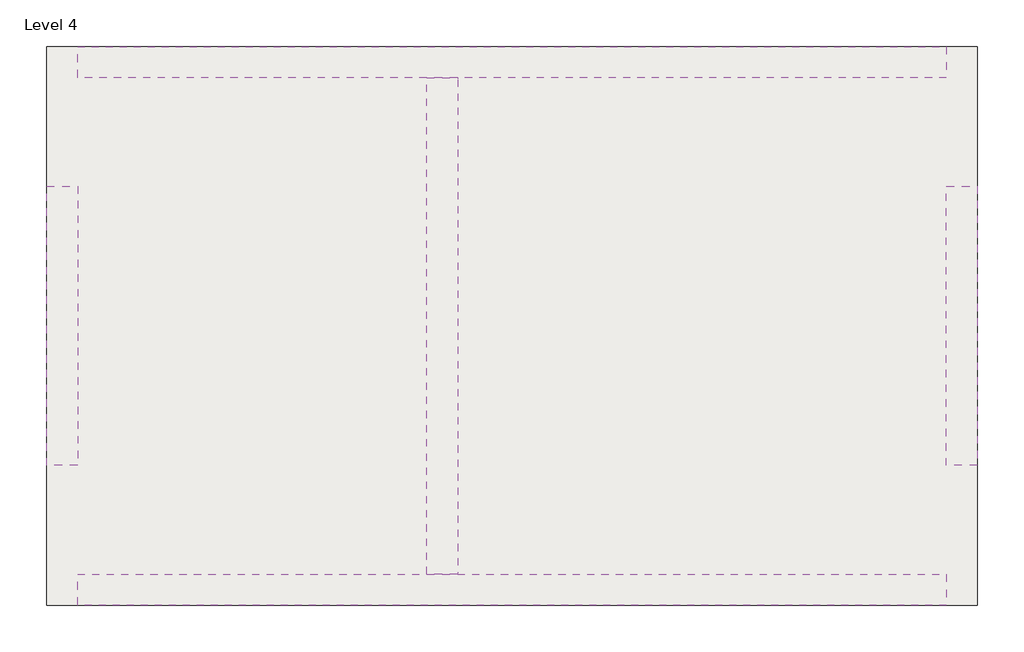
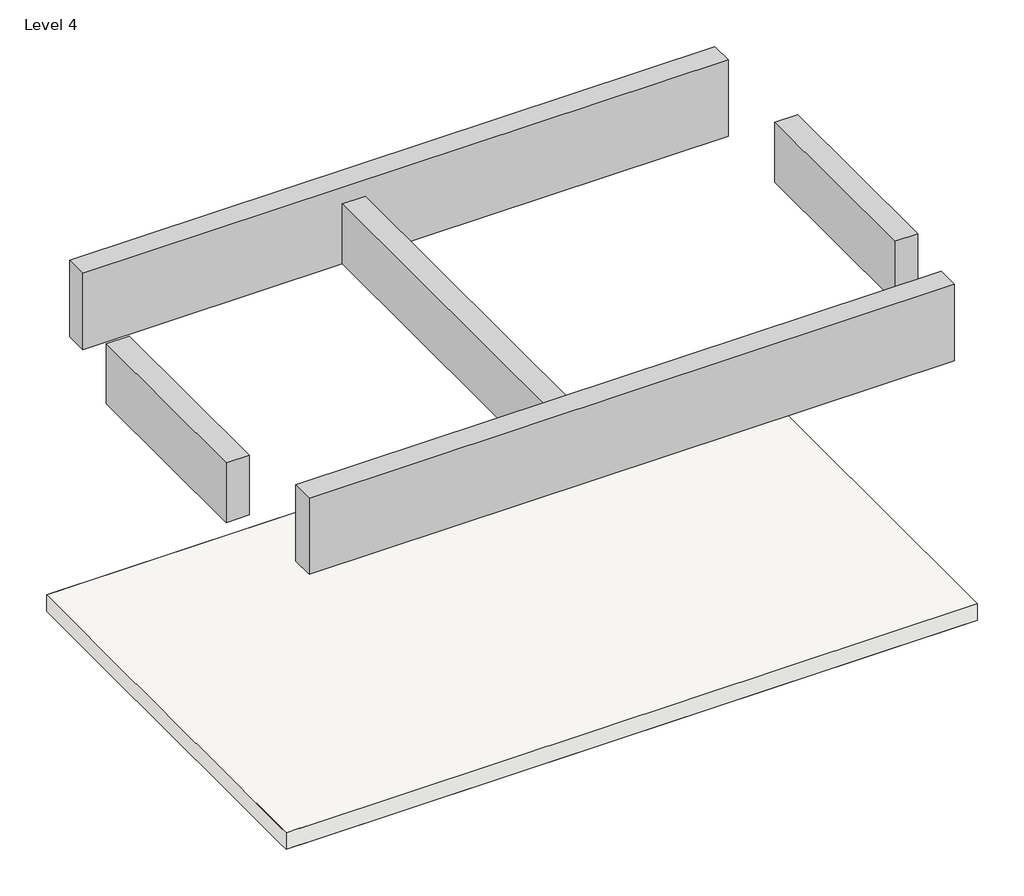
# One storey: 5 beams, 2 slabs.
"""IFC4 building model written with IfcOpenShell, lengths in millimetres."""

import ifcopenshell
import ifcopenshell.guid

model = None  # the IFC model being written
_history = None  # IfcOwnerHistory: only IFC2X3 demands one
_inside = {}  # id of a spatial element -> (the spatial element, [elements in it])
_under = {}  # id of a project, library or spatial element -> (it, [spatial elements below it])
_declared = {}  # id of a project -> (the project, [libraries it declares])
_typed = {}  # id of a type object -> (the type object, [elements of that type])
_made_of = {}  # id of a material, layer set ... -> (it, [elements and type objects made of it])


def new_model(schema):
    """Start an empty IFC model of exactly this schema.

    Asked for "IFC4X3", IfcOpenShell would pick the latest addendum, in which some entities
    have other attributes; the version numbers below select the first issue.
    IFC2X3 requires an IfcOwnerHistory on every rooted entity: one is made here for all.
    """
    global model, _history
    if schema == "IFC4X3":
        model = ifcopenshell.file(schema_version=(4, 3, 0, 0))
    else:
        model = ifcopenshell.file(schema=schema)
    _inside.clear()
    _under.clear()
    _declared.clear()
    _typed.clear()
    _made_of.clear()
    _history = None
    if model.schema == "IFC2X3":
        org = make("IfcOrganization", Name="unknown")
        user = make(
            "IfcPersonAndOrganization",
            ThePerson=make("IfcPerson", FamilyName="unknown"),
            TheOrganization=org,
        )
        app = make(
            "IfcApplication",
            ApplicationDeveloper=org,
            Version="unknown",
            ApplicationFullName="unknown",
            ApplicationIdentifier="unknown",
        )
        _history = make(
            "IfcOwnerHistory",
            OwningUser=user,
            OwningApplication=app,
            ChangeAction="ADDED",
            CreationDate=0,
        )
    return model


def make(cls, **values):
    """One entity of the class cls with the attributes given. An attribute that is None is left unset."""
    return model.create_entity(
        cls, **{name: value for name, value in values.items() if value is not None}
    )


def rooted(cls, **values):
    """An entity with a GlobalId (a new one), such as an element, a storey or a relation."""
    return make(cls, GlobalId=ifcopenshell.guid.new(), OwnerHistory=_history, **values)


def si_unit(unit_type, name, prefix=None):
    """IfcSIUnit, for example si_unit("LENGTHUNIT", "METRE", prefix="MILLI")."""
    return make("IfcSIUnit", UnitType=unit_type, Prefix=prefix, Name=name)


def assignment(units):
    """IfcUnitAssignment: the units of a project."""
    return None if units is None else make("IfcUnitAssignment", Units=units)


def point(xyz):
    """IfcCartesianPoint."""
    return None if xyz is None else make("IfcCartesianPoint", Coordinates=xyz)


def direction(xyz):
    """IfcDirection."""
    return None if xyz is None else make("IfcDirection", DirectionRatios=xyz)


def frame(location, z_axis=None, x_axis=None):
    """IfcAxis2Placement3D, a coordinate frame: its origin and axes. An axis left out is left unset."""
    return make(
        "IfcAxis2Placement3D",
        Location=point(location),
        Axis=direction(z_axis),
        RefDirection=direction(x_axis),
    )


def origin():
    """The frame at (0, 0, 0) with its axes left unset."""
    return frame((0.0, 0.0, 0.0))


def place(relative_to, where):
    """IfcLocalPlacement: puts the frame where relative to a parent placement (None: the world)."""
    return make(
        "IfcLocalPlacement", PlacementRelTo=relative_to, RelativePlacement=where
    )


def context(
    kind, dimensions, precision=None, world=None, true_north=None, identifier=None
):
    """IfcGeometricRepresentationContext, for example the 3D "Model" context."""
    return make(
        "IfcGeometricRepresentationContext",
        ContextIdentifier=identifier,
        ContextType=kind,
        CoordinateSpaceDimension=dimensions,
        Precision=precision,
        WorldCoordinateSystem=world,
        TrueNorth=true_north,
    )


def project(units=None, contexts=None):
    """IfcProject with its units and contexts."""
    return rooted(
        "IfcProject",
        Name="project",
        RepresentationContexts=contexts,
        UnitsInContext=assignment(units),
    )


def spatial(cls, under=None, at=None, **own):
    """A site, building, storey or space (cls), placed at a placement, below another one or the project."""
    s = rooted(cls, ObjectPlacement=at, **own)
    if under is not None:
        _under.setdefault(under.id(), (under, []))[1].append(s)
    return s


def polyline(points):
    """IfcPolyline through the points."""
    return make("IfcPolyline", Points=[point(p) for p in points])


def outline(outer, holes=None, kind="AREA"):
    """IfcArbitraryClosedProfileDef: a profile drawn as a closed curve; with holes, ...WithVoids."""
    if holes is None:
        return make("IfcArbitraryClosedProfileDef", ProfileType=kind, OuterCurve=outer)
    return make(
        "IfcArbitraryProfileDefWithVoids",
        ProfileType=kind,
        OuterCurve=outer,
        InnerCurves=holes,
    )


def extrude(swept, where, along, depth):
    """IfcExtrudedAreaSolid: the profile swept, set in the frame where, extruded along a direction by depth."""
    return make(
        "IfcExtrudedAreaSolid",
        SweptArea=swept,
        Position=where,
        ExtrudedDirection=direction(along),
        Depth=depth,
    )


def faces_of(points, faces, orient=None, outer=None):
    """IfcFace entities. A face is a list of loops; a loop is a list of indices into points, from 0.

    orient and outer hold one flag for each loop. By default every Orientation is true, the
    first loop of a face is its IfcFaceOuterBound and the others are IfcFaceBound.
    """
    made = []
    for i, loops in enumerate(faces):
        bounds = []
        for j, loop in enumerate(loops):
            is_outer = j == 0 if outer is None else outer[i][j]
            bounds.append(
                make(
                    "IfcFaceOuterBound" if is_outer else "IfcFaceBound",
                    Bound=make("IfcPolyLoop", Polygon=[points[k] for k in loop]),
                    Orientation=True if orient is None else orient[i][j],
                )
            )
        made.append(make("IfcFace", Bounds=bounds))
    return made


def faceted_brep(points, faces, orient=None, outer=None, voids=None):
    """IfcFacetedBrep: a solid bounded by flat faces; with voids (closed shells), ...WithVoids."""
    shared = [point(p) for p in points]
    hull = make("IfcClosedShell", CfsFaces=faces_of(shared, faces, orient, outer))
    if voids is None:
        return make("IfcFacetedBrep", Outer=hull)
    return make(
        "IfcFacetedBrepWithVoids",
        Outer=hull,
        Voids=[
            make(cls, CfsFaces=faces_of(shared, fs, o, b)) for cls, fs, o, b in voids
        ],
    )


def shape(context_of_items, identifier, shape_type, items):
    """IfcShapeRepresentation: the items that make up one representation, for example the "Body"."""
    return make(
        "IfcShapeRepresentation",
        ContextOfItems=context_of_items,
        RepresentationIdentifier=identifier,
        RepresentationType=shape_type,
        Items=items,
    )


def made_of(thing, what):
    """Note that an element or type object is made of a material, layer set ...; save() writes the relation."""
    if what is not None:
        _made_of.setdefault(what.id(), (what, []))[1].append(thing)
    return thing


def element(
    cls,
    number,
    at=None,
    inside=None,
    cuts=None,
    type_object=None,
    material=None,
    context=None,
    identifier="Body",
    shape_type=None,
    held_by="IfcProductDefinitionShape",
    body=None,
    shapes=None,
    **own,
):
    """One element of the class cls, such as IfcWall. Its Tag is "e" and its number.

    at: its placement. inside: the storey or other place that contains it. cuts: it is an
    opening in that element (IfcRelVoidsElement). A single representation is given by context,
    identifier, shape_type and body (its items); several are given by shapes. held_by: the class
    of the entity that holds the representations. save() writes the other relations.
    """
    e = rooted(cls, Tag="e%d" % number, ObjectPlacement=at, **own)
    if body is not None:
        shapes = [shape(context, identifier, shape_type, body)]
    if shapes is not None:
        e.Representation = make(held_by, Representations=shapes)
    if inside is not None:
        _inside.setdefault(inside.id(), (inside, []))[1].append(e)
    if cuts is not None:
        rooted(
            "IfcRelVoidsElement", RelatingBuildingElement=cuts, RelatedOpeningElement=e
        )
    if type_object is not None:
        _typed.setdefault(type_object.id(), (type_object, []))[1].append(e)
    return made_of(e, material)


def aggregate(whole, parts):
    """IfcRelAggregates: a whole, such as a stair, and the parts it consists of."""
    return rooted("IfcRelAggregates", RelatingObject=whole, RelatedObjects=parts)


def save(model, path):
    """Write the relations noted so far, then the file.

    IfcRelAggregates (storeys below a building ...), IfcRelContainedInSpatialStructure (elements
    in a storey), IfcRelDefinesByType, IfcRelAssociatesMaterial and IfcRelDeclares: one each for
    every whole, place, type object, material and project.
    """
    for whole, parts in _under.values():
        aggregate(whole, parts)
    for where, things in _inside.values():
        rooted(
            "IfcRelContainedInSpatialStructure",
            RelatedElements=things,
            RelatingStructure=where,
        )
    for kind, things in _typed.values():
        rooted("IfcRelDefinesByType", RelatedObjects=things, RelatingType=kind)
    for what, things in _made_of.values():
        rooted("IfcRelAssociatesMaterial", RelatedObjects=things, RelatingMaterial=what)
    for by, libraries in _declared.values():
        rooted("IfcRelDeclares", RelatingContext=by, RelatedDefinitions=libraries)
    model.write(path)


model = new_model("IFC4")

# Units and contexts
model_context = context("Model", 3, world=origin())
ifc_project = project(units=[si_unit("LENGTHUNIT", "METRE", prefix="MILLI")], contexts=[model_context])

# Site, building, storey
site = spatial("IfcSite", under=ifc_project)
building = spatial("IfcBuilding", under=site)
storey = spatial("IfcBuildingStorey", under=building, Name="Level 4", Elevation=9144.0)

# Beams
placement = place(None, origin())
element("IfcBeam", 1, ObjectType="Concrete-Rectangular Beam : 8 x 28", at=placement, inside=storey, context=model_context, shape_type="Brep", body=[
    faceted_brep([(-11.5069565, -4278.1615499, 12192.0), (-11.5069565, -4481.3615499, 12192.0), (5678.0930435, -4481.3615499, 12192.0), (5678.0930435, -4278.1615499, 12192.0), (-11.5069565, -4481.3615499, 11480.8), (2274.4930435, -4481.3615499, 11480.8), (2477.6930435, -4481.3615499, 11480.8), (5678.0930435, -4481.3615499, 11480.8), (-11.5069565, -4278.1615499, 11480.8), (5678.0930435, -4278.1615499, 11480.8)], [[[0, 1, 2, 3]], [[1, 4, 5, 6, 7, 2]], [[4, 8, 9, 7, 6, 5]], [[8, 0, 3, 9]], [[1, 0, 8, 4]], [[3, 2, 7, 9]]]),
])
element("IfcBeam", 2, ObjectType="Concrete-Rectangular Beam : 8 x 28", at=placement, inside=storey, context=model_context, shape_type="SweptSolid", body=[
    extrude(outline(polyline([(5678.0930435, -5192.5615499), (5881.2930435, -5192.5615499), (5881.2930435, -7021.3615499), (5678.0930435, -7021.3615499), (5678.0930435, -5192.5615499)])), frame((0.0, 0.0, 11480.8), z_axis=(0.0, 0.0, 1.0), x_axis=(1.0, 0.0, 0.0)), (0.0, 0.0, 1.0), 558.8),
])
element("IfcBeam", 3, ObjectType="Concrete-Rectangular Beam : 8 x 28", at=placement, inside=storey, context=model_context, shape_type="Brep", body=[
    faceted_brep([(5678.0930435, -7935.7615499, 12192.0), (5678.0930435, -7732.5615499, 12192.0), (-11.5069565, -7732.5615499, 12192.0), (-11.5069565, -7935.7615499, 12192.0), (5678.0930435, -7732.5615499, 11480.8), (2477.6930435, -7732.5615499, 11480.8), (2274.4930435, -7732.5615499, 11480.8), (-11.5069565, -7732.5615499, 11480.8), (5678.0930435, -7935.7615499, 11480.8), (-11.5069565, -7935.7615499, 11480.8)], [[[0, 1, 2, 3]], [[1, 4, 5, 6, 7, 2]], [[4, 8, 9, 7, 6, 5]], [[3, 9, 8, 0]], [[0, 8, 4, 1]], [[3, 2, 7, 9]]]),
])
element("IfcBeam", 4, ObjectType="Concrete-Rectangular Beam : 8 x 28", at=placement, inside=storey, context=model_context, shape_type="SweptSolid", body=[
    extrude(outline(polyline([(-214.7069565, -5192.5615499), (-11.5069565, -5192.5615499), (-11.5069565, -7021.3615499), (-214.7069565, -7021.3615499), (-214.7069565, -5192.5615499)])), frame((0.0, 0.0, 11480.8), z_axis=(0.0, 0.0, 1.0), x_axis=(1.0, 0.0, 0.0)), (0.0, 0.0, 1.0), 558.8),
])
element("IfcBeam", 5, ObjectType="Concrete-Rectangular Beam : 8 x 28", at=placement, inside=storey, context=model_context, shape_type="Brep", body=[
    faceted_brep([(2274.4930435, -4481.3615499, 11480.8), (2274.4930435, -7732.5615499, 11480.8), (2274.4930435, -7732.5615499, 12039.6), (2274.4930435, -4481.3615499, 12039.6), (2477.6930435, -4481.3615499, 11480.8), (2477.6930435, -4494.0615499, 11480.8), (2477.6930435, -7719.8615499, 11480.8), (2477.6930435, -7732.5615499, 11480.8), (2477.6930435, -4481.3615499, 12039.6), (2477.6930435, -4494.0615499, 12039.6), (2477.6930435, -7719.8615499, 12039.6), (2477.6930435, -7732.5615499, 12039.6)], [[[0, 1, 2, 3]], [[0, 4, 5, 6, 7, 1]], [[7, 6, 5, 4, 8, 9, 10, 11]], [[4, 0, 3, 8]], [[1, 7, 11, 2]], [[3, 2, 11, 10, 9, 8]]]),
])

# Slabs
element("IfcSlab", 6, ObjectType="Generic - 6\"", at=placement, inside=storey, context=model_context, shape_type="Brep", body=[
    faceted_brep([(-214.7069565, -4278.1615499, 8991.6), (-113.1069565, -4278.1615499, 8991.6), (-11.5069565, -4278.1615499, 8991.6), (5665.3930435, -4278.1615499, 8991.6), (5678.0930435, -4278.1615499, 8991.6), (5881.2930435, -4278.1615499, 8991.6), (5881.2930435, -4379.7615499, 8991.6), (5881.2930435, -5192.5615499, 8991.6), (5881.2930435, -7021.3615499, 8991.6), (5881.2930435, -7719.8615499, 8991.6), (5881.2930435, -7935.7615499, 8991.6), (5678.0930435, -7935.7615499, 8991.6), (1.1930435, -7935.7615499, 8991.6), (-11.5069565, -7935.7615499, 8991.6), (-113.1069565, -7935.7615499, 8991.6), (-214.7069565, -7935.7615499, 8991.6), (-214.7069565, -7834.1615499, 8991.6), (-214.7069565, -7021.3615499, 8991.6), (-214.7069565, -5192.5615499, 8991.6), (-214.7069565, -4379.7615499, 8991.6), (-214.7069565, -4278.1615499, 9144.0), (-214.7069565, -4379.7615499, 9144.0), (-214.7069565, -5192.5615499, 9144.0), (-214.7069565, -7021.3615499, 9144.0), (-214.7069565, -7834.1615499, 9144.0), (-214.7069565, -7935.7615499, 9144.0), (-113.1069565, -7935.7615499, 9144.0), (-11.5069565, -7935.7615499, 9144.0), (1.1930435, -7935.7615499, 9144.0), (5881.2930435, -7935.7615499, 9144.0), (5881.2930435, -7719.8615499, 9144.0), (5881.2930435, -4278.1615499, 9144.0), (5665.3930435, -4278.1615499, 9144.0), (-11.5069565, -4278.1615499, 9144.0), (-113.1069565, -4278.1615499, 9144.0)], [[[0, 1, 2, 3, 4, 5, 6, 7, 8, 9, 10, 11, 12, 13, 14, 15, 16, 17, 18, 19]], [[20, 21, 22, 23, 24, 25, 26, 27, 28, 29, 30, 31, 32, 33, 34]], [[5, 4, 3, 2, 1, 0, 20, 34, 33, 32, 31]], [[10, 9, 8, 7, 6, 5, 31, 30, 29]], [[15, 14, 13, 12, 11, 10, 29, 28, 27, 26, 25]], [[0, 19, 18, 17, 16, 15, 25, 24, 23, 22, 21, 20]]]),
])
element("IfcSlab", 7, ObjectType="Generic - 6\"", at=placement, inside=storey, context=model_context, shape_type="Brep", body=[
    faceted_brep([(-214.7069565, -4278.1615499, 8991.6), (5665.3930435, -4278.1615499, 8991.6), (5881.2930435, -4278.1615499, 8991.6), (5881.2930435, -4379.7615499, 8991.6), (5881.2930435, -5192.5615499, 8991.6), (5881.2930435, -7021.3615499, 8991.6), (5881.2930435, -7935.7615499, 8991.6), (1.1930435, -7935.7615499, 8991.6), (-11.5069565, -7935.7615499, 8991.6), (-214.7069565, -7935.7615499, 8991.6), (-214.7069565, -7021.3615499, 8991.6), (-214.7069565, -5192.5615499, 8991.6), (-214.7069565, -4278.1615499, 9144.0), (-214.7069565, -5192.5615499, 9144.0), (-214.7069565, -7021.3615499, 9144.0), (-214.7069565, -7935.7615499, 9144.0), (-11.5069565, -7935.7615499, 9144.0), (1.1930435, -7935.7615499, 9144.0), (5881.2930435, -7935.7615499, 9144.0), (5881.2930435, -7719.8615499, 9144.0), (5881.2930435, -4278.1615499, 9144.0), (5665.3930435, -4278.1615499, 9144.0)], [[[0, 1, 2, 3, 4, 5, 6, 7, 8, 9, 10, 11]], [[12, 13, 14, 15, 16, 17, 18, 19, 20, 21]], [[2, 1, 0, 12, 21, 20]], [[6, 5, 4, 3, 2, 20, 19, 18]], [[9, 8, 7, 6, 18, 17, 16, 15]], [[0, 11, 10, 9, 15, 14, 13, 12]]]),
])

save(model, "model.ifc")
